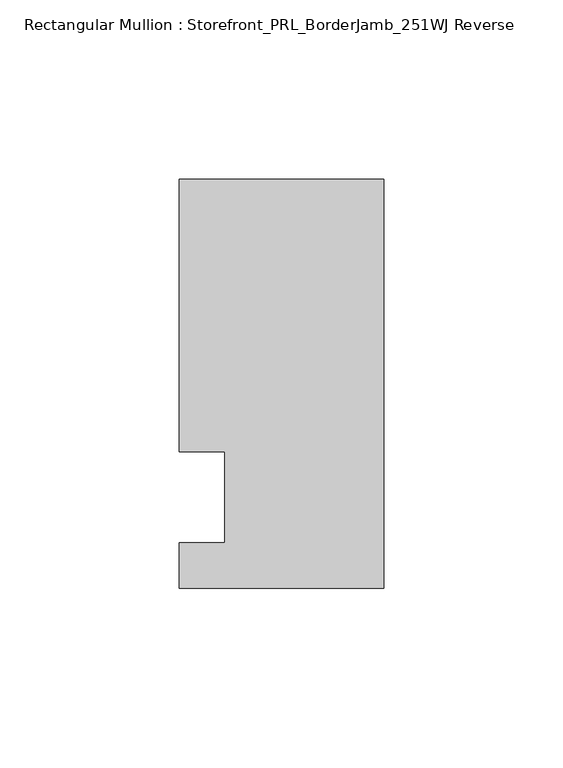
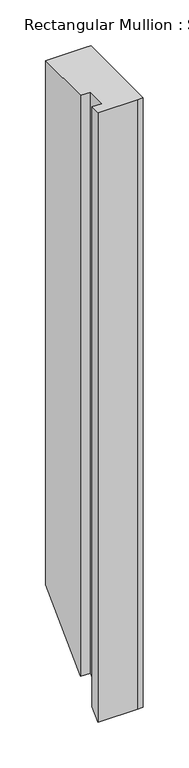
"""IFC4 building model written with IfcOpenShell, lengths in millimetres: member geometry, Rectangular Mullion : Storefront_PRL_BorderJamb_251WJ Reverse."""

from ifc_helpers import new_model, si_unit, origin, place, context, project, spatial, faceted_brep, source, transform, mapped, element, save


def rectangular_mullion_storefront_prl_borderjamb_251wj_reverse_95d13482(model_context):
    return source(origin(), model_context, "Body", "Brep", [
        faceted_brep([(-44.45, 12.7, 0.0), (-44.45, -12.7, 0.0), (-57.15, -12.7, 0.0), (-57.15, -25.4, 0.0), (-7.3958824, -25.4, 0.0), (0.0, -25.4, 0.0), (0.0, 88.9, 0.0), (-6.35, 88.9, 0.0), (-57.15, 88.9, 0.0), (-57.15, 12.7, 0.0), (-44.45, 12.7, -774.7), (-44.45, -12.7, -800.1), (-57.15, -12.7, -800.1), (-57.15, -25.4, -812.8), (-7.3958824, -25.4, -812.8), (0.0, -25.4, -812.8), (0.0, 88.9, -698.5), (-6.35, 88.9, -698.5), (-57.15, 88.9, -698.5), (-57.15, 12.7, -774.7)], [[[0, 1, 2, 3, 4, 5, 6, 7, 8, 9]], [[1, 0, 10, 11]], [[2, 1, 11, 12]], [[3, 2, 12, 13]], [[4, 3, 13, 14]], [[5, 4, 14, 15]], [[6, 5, 15, 16]], [[7, 6, 16, 17]], [[8, 7, 17, 18]], [[9, 8, 18, 19]], [[0, 9, 19, 10]], [[10, 19, 18, 17, 16, 15, 14, 13, 12, 11]]]),
    ])


if __name__ == "__main__":
    model = new_model("IFC4")
    model_context = context("Model", 3, world=origin())
    ifc_project = project(units=[si_unit("LENGTHUNIT", "METRE", prefix="MILLI")], contexts=[model_context])
    site = spatial("IfcSite", under=ifc_project)
    building = spatial("IfcBuilding", under=site)
    placement = place(None, origin())
    rectangular_mullion_storefront_prl_borderjamb_251wj_reverse_shape = rectangular_mullion_storefront_prl_borderjamb_251wj_reverse_95d13482(model_context)
    element("IfcMember", 1, ObjectType="Rectangular Mullion : Storefront_PRL_BorderJamb_251WJ Reverse", at=placement, inside=building, context=model_context, shape_type="MappedRepresentation", body=[
        mapped(rectangular_mullion_storefront_prl_borderjamb_251wj_reverse_shape, transform((0.0, 0.0, 0.0), x_axis=(1.0, 0.0, 0.0), y_axis=(0.0, 1.0, 0.0), z_axis=(0.0, 0.0, 1.0))),
    ])
    save(model, "model.ifc")
